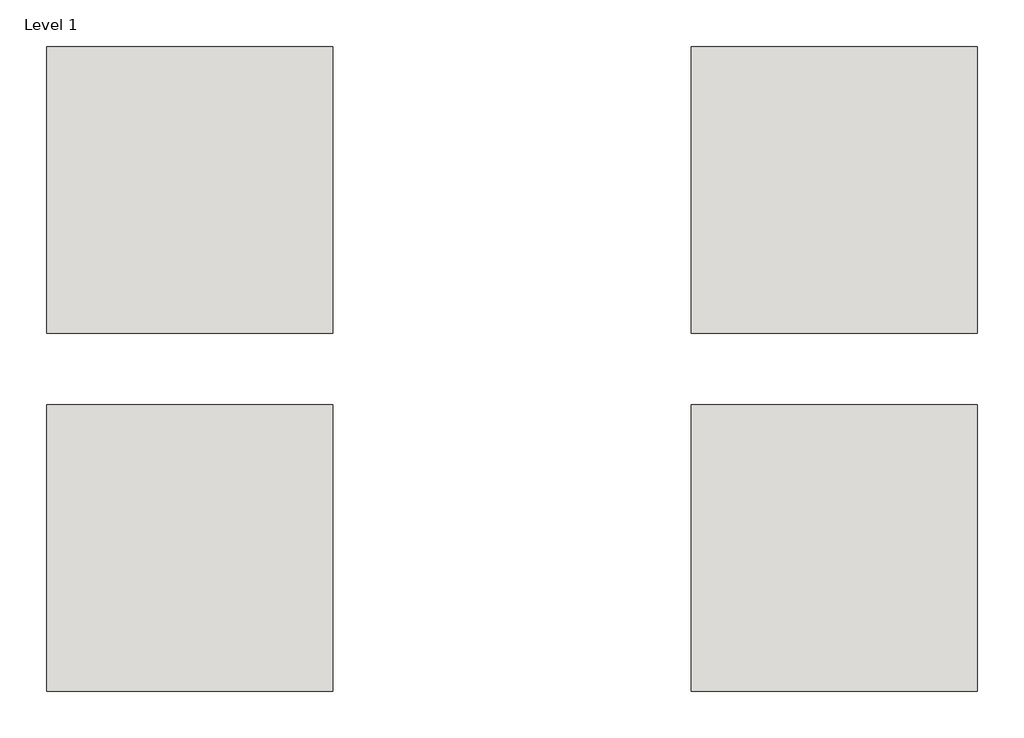
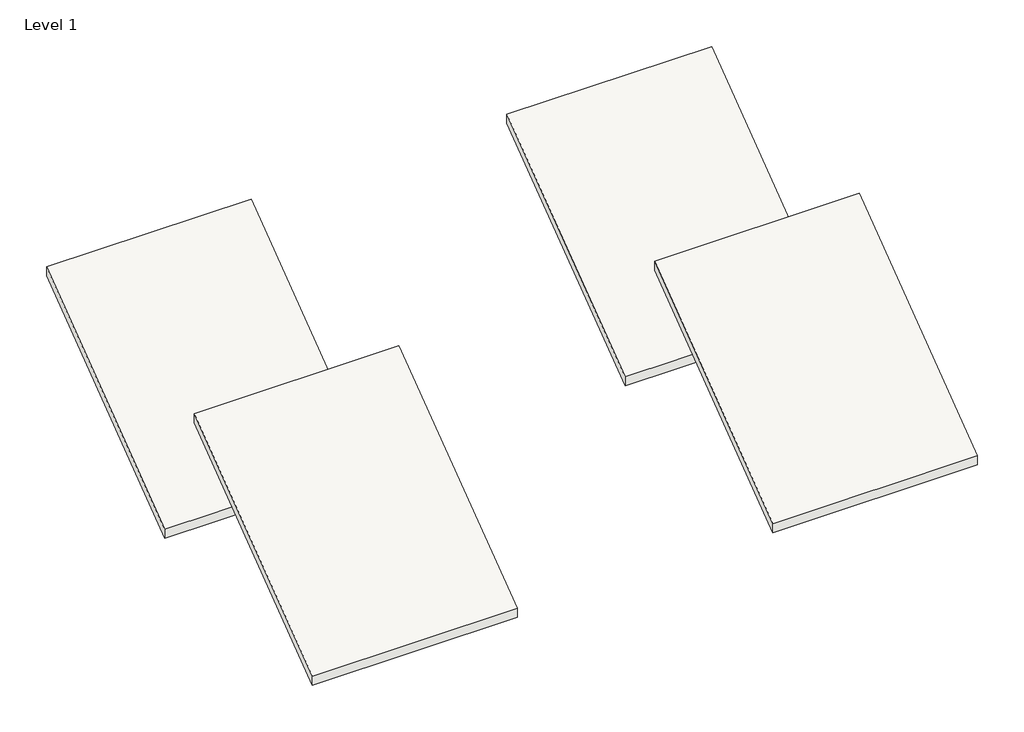
# One storey, part 1 of 10: 4 roofs.
"""IFC4 building model written with IfcOpenShell, lengths in millimetres."""

from ifc_helpers import new_model, si_unit, frame, origin, place, context, project, spatial, polyline, outline, extrude, element, save

model = new_model("IFC4")

# Units and contexts
model_context = context("Model", 3, world=origin())
ifc_project = project(units=[si_unit("LENGTHUNIT", "METRE", prefix="MILLI")], contexts=[model_context])

# Site, building, storey
site = spatial("IfcSite", under=ifc_project)
building = spatial("IfcBuilding", under=site)
storey = spatial("IfcBuildingStorey", under=building, Name="Level 1", Elevation=0.0)

# Roofs
placement = place(None, origin())
element("IfcRoof", 1, at=placement, inside=storey, context=model_context, shape_type="SweptSolid", body=[
    extrude(outline(polyline([(161393.0242732, -45942.0854012), (167489.0242732, -41370.0854012), (167489.0242732, -41655.8354012), (161393.0242732, -46227.8354012), (161393.0242732, -45942.0854012)])), frame((39239.5288668, 0.0, 0.0), z_axis=(1.0, 0.0, 0.0), x_axis=(0.0, 1.0, 0.0)), (0.0, 0.0, 1.0), 6096.0),
])
element("IfcRoof", 2, at=placement, inside=storey, context=model_context, shape_type="SweptSolid", body=[
    extrude(outline(polyline([(161393.0242732, -45942.0854012), (167489.0242732, -41370.0854012), (167489.0242732, -41655.8354012), (161393.0242732, -46227.8354012), (161393.0242732, -45942.0854012)])), frame((52955.5288668, 0.0, 0.0), z_axis=(1.0, 0.0, 0.0), x_axis=(0.0, 1.0, 0.0)), (0.0, 0.0, 1.0), 6096.0),
])
element("IfcRoof", 3, at=placement, inside=storey, context=model_context, shape_type="SweptSolid", body=[
    extrude(outline(polyline([(169013.0242732, -45942.0854012), (175109.0242732, -41370.0854012), (175109.0242732, -41655.8354012), (169013.0242732, -46227.8354012), (169013.0242732, -45942.0854012)])), frame((39239.5288668, 0.0, 0.0), z_axis=(1.0, 0.0, 0.0), x_axis=(0.0, 1.0, 0.0)), (0.0, 0.0, 1.0), 6096.0),
])
element("IfcRoof", 4, at=placement, inside=storey, context=model_context, shape_type="SweptSolid", body=[
    extrude(outline(polyline([(169013.0242732, -45942.0854012), (175109.0242732, -41370.0854012), (175109.0242732, -41655.8354012), (169013.0242732, -46227.8354012), (169013.0242732, -45942.0854012)])), frame((52955.5288668, 0.0, 0.0), z_axis=(1.0, 0.0, 0.0), x_axis=(0.0, 1.0, 0.0)), (0.0, 0.0, 1.0), 6096.0),
])

save(model, "model.ifc")
